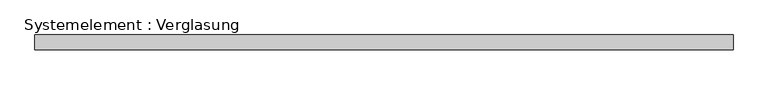
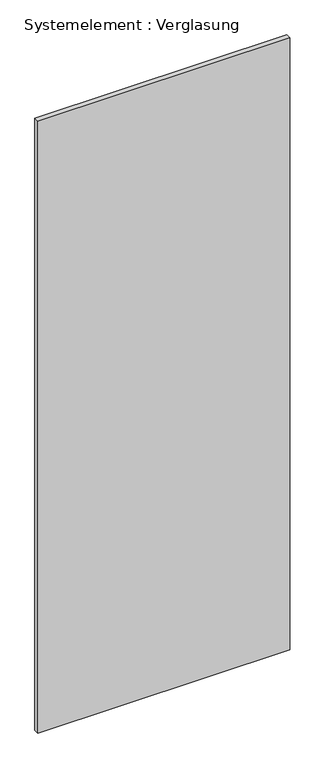
"""IFC4 building model written with IfcOpenShell, lengths in millimetres: plate geometry, Systemelement : Verglasung."""

from ifc_helpers import new_model, si_unit, origin, origin_with_axes, place, context, project, spatial, polyline, outline, extrude, source, transform, mapped, element, save


def systemelement_verglasung_eae4b2f5(model_context):
    return source(origin(), model_context, "Body", "SweptSolid", [
        extrude(outline(polyline([(709.8201191, -15.0), (-709.8201191, -15.0), (-709.8201191, 15.0), (709.8201191, 15.0), (709.8201191, -15.0)])), origin_with_axes(), (0.0, 0.0, 1.0), 3645.0),
    ])


if __name__ == "__main__":
    model = new_model("IFC4")
    model_context = context("Model", 3, world=origin())
    ifc_project = project(units=[si_unit("LENGTHUNIT", "METRE", prefix="MILLI")], contexts=[model_context])
    site = spatial("IfcSite", under=ifc_project)
    building = spatial("IfcBuilding", under=site)
    placement = place(None, origin())
    systemelement_verglasung_shape = systemelement_verglasung_eae4b2f5(model_context)
    element("IfcPlate", 1, ObjectType="Systemelement : Verglasung", at=placement, inside=building, context=model_context, shape_type="MappedRepresentation", body=[
        mapped(systemelement_verglasung_shape, transform((0.0, 0.0, 0.0), x_axis=(1.0, 0.0, 0.0), y_axis=(0.0, 1.0, 0.0), z_axis=(0.0, 0.0, 1.0))),
    ])
    save(model, "model.ifc")
